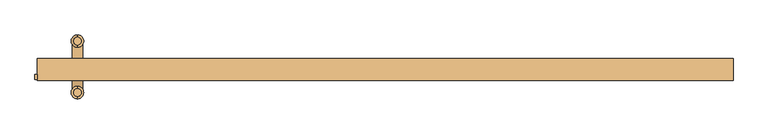
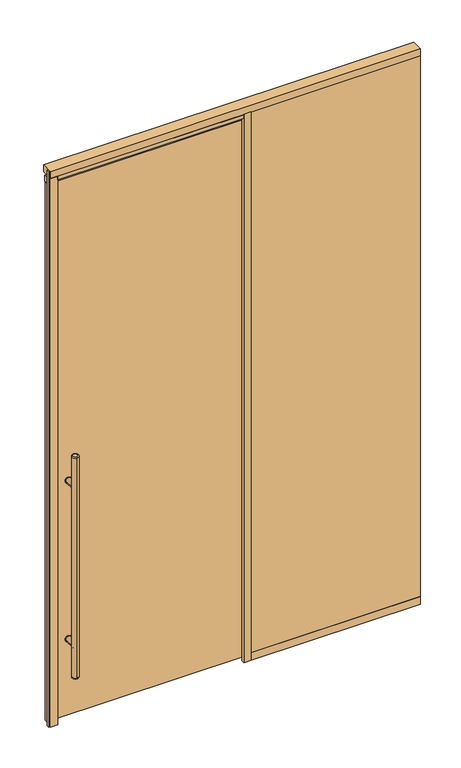
"""IFC4 building model written with IfcOpenShell, lengths in millimetres: door geometry."""

from ifc_helpers import new_model, si_unit, point, frame, frame_2d, origin, origin_with_axes, place, context, project, spatial, polyline, circle_curve, ellipse_curve, trimmed, segment, composite_curve, outline, extrude, source, transform, mapped, element, save
from ifc_brep_helpers import plane_surface, cylinder_surface, revolved_surface, advanced_brep


def door_247ac352(model_context):
    return source(origin(), model_context, "Body", "SolidModel", [
        extrude(outline(composite_curve([segment(trimmed(circle_curve(frame_2d((428.625, -850.9)), 15.875), [point((428.625, -866.775))], [point((428.625, -835.025))], False, "CARTESIAN"), True, "CONTINUOUS"), segment(trimmed(circle_curve(frame_2d((428.625, -850.9)), 15.875), [point((428.625, -835.025))], [point((428.625, -866.775))], False, "CARTESIAN"), True, "CONTINUOUS")], self_intersect=False)), frame((0.0, 19.05, 0.0), z_axis=(0.0, 1.0, 0.0), x_axis=(0.0, 0.0, 1.0)), (0.0, 0.0, 1.0), 3.175),
        extrude(outline(composite_curve([segment(trimmed(circle_curve(frame_2d((1298.575, -850.9)), 15.875), [point((1298.575, -835.025))], [point((1298.575, -866.775))], False, "CARTESIAN"), True, "CONTINUOUS"), segment(trimmed(circle_curve(frame_2d((1298.575, -850.9)), 15.875), [point((1298.575, -866.775))], [point((1298.575, -835.025))], False, "CARTESIAN"), True, "CONTINUOUS")], self_intersect=False)), frame((0.0, 19.05, 0.0), z_axis=(0.0, 1.0, 0.0), x_axis=(0.0, 0.0, 1.0)), (0.0, 0.0, 1.0), 3.175),
        extrude(outline(composite_curve([segment(trimmed(circle_curve(frame_2d((428.625, -850.9)), 15.875), [point((428.625, -866.775))], [point((428.625, -835.025))], False, "CARTESIAN"), True, "CONTINUOUS"), segment(trimmed(circle_curve(frame_2d((428.625, -850.9)), 15.875), [point((428.625, -835.025))], [point((428.625, -866.775))], False, "CARTESIAN"), True, "CONTINUOUS")], self_intersect=False)), frame((0.0, 34.925, 0.0), z_axis=(0.0, 1.0, 0.0), x_axis=(0.0, 0.0, 1.0)), (0.0, 0.0, 1.0), 3.175),
        extrude(outline(composite_curve([segment(trimmed(circle_curve(frame_2d((1298.575, -850.9)), 15.875), [point((1298.575, -866.775))], [point((1298.575, -835.025))], False, "CARTESIAN"), True, "CONTINUOUS"), segment(trimmed(circle_curve(frame_2d((1298.575, -850.9)), 15.875), [point((1298.575, -835.025))], [point((1298.575, -866.775))], False, "CARTESIAN"), True, "CONTINUOUS")], self_intersect=False)), frame((0.0, 34.925, 0.0), z_axis=(0.0, 1.0, 0.0), x_axis=(0.0, 0.0, 1.0)), (0.0, 0.0, 1.0), 3.175),
        extrude(outline(composite_curve([segment(trimmed(circle_curve(frame_2d((428.625, -850.9)), 14.2875), [point((428.625, -836.6125))], [point((428.625, -865.1875))], False, "CARTESIAN"), True, "CONTINUOUS"), segment(trimmed(circle_curve(frame_2d((428.625, -850.9)), 14.2875), [point((428.625, -865.1875))], [point((428.625, -836.6125))], False, "CARTESIAN"), True, "CONTINUOUS")], self_intersect=False)), frame((0.0, 34.925, 0.0), z_axis=(0.0, 1.0, 0.0), x_axis=(0.0, 0.0, 1.0)), (0.0, 0.0, 1.0), 65.0875),
        extrude(outline(composite_curve([segment(trimmed(circle_curve(frame_2d((1298.575, -850.9)), 14.2875), [point((1298.575, -836.6125))], [point((1298.575, -865.1875))], False, "CARTESIAN"), True, "CONTINUOUS"), segment(trimmed(circle_curve(frame_2d((1298.575, -850.9)), 14.2875), [point((1298.575, -865.1875))], [point((1298.575, -836.6125))], False, "CARTESIAN"), True, "CONTINUOUS")], self_intersect=False)), frame((0.0, 34.925, 0.0), z_axis=(0.0, 1.0, 0.0), x_axis=(0.0, 0.0, 1.0)), (0.0, 0.0, 1.0), 65.0875),
        advanced_brep(
        [(-850.9, -32.0675, 1473.2), (-850.9, -53.6575, 1473.2), (-850.9, -53.6575, 254.0), (-850.9, -32.0675, 254.0), (-850.9, -60.0075, 260.35), (-850.9, -25.7175, 260.35), (-850.9, -25.7175, 1466.85), (-850.9, -60.0075, 1466.85)],
        [
            (0, 1, circle_curve(frame((-850.9, -42.8625, 1473.2), z_axis=(0.0, 0.0, 1.0), x_axis=(0.0, 1.0, 0.0)), 10.795)),
            (1, 0, circle_curve(frame((-850.9, -42.8625, 1473.2), z_axis=(0.0, 0.0, 1.0), x_axis=(0.0, 1.0, 0.0)), 10.795)),
            (2, 3, circle_curve(frame((-850.9, -42.8625, 254.0), z_axis=(0.0, 0.0, -1.0), x_axis=(0.0, 1.0, 0.0)), 10.795)),
            (3, 2, circle_curve(frame((-850.9, -42.8625, 254.0), z_axis=(0.0, 0.0, -1.0), x_axis=(0.0, 1.0, 0.0)), 10.795)),
            (4, 5, circle_curve(frame((-850.9, -42.8625, 260.35), z_axis=(0.0, 0.0, 1.0), x_axis=(0.0, 1.0, 0.0)), 17.145)),
            (5, 6),
            (6, 7, circle_curve(frame((-850.9, -42.8625, 1466.85), z_axis=(0.0, 0.0, -1.0), x_axis=(0.0, 1.0, 0.0)), 17.145)),
            (7, 4),
            (5, 4, circle_curve(frame((-850.9, -42.8625, 260.35), z_axis=(0.0, 0.0, 1.0), x_axis=(0.0, 1.0, 0.0)), 17.145)),
            (7, 6, circle_curve(frame((-850.9, -42.8625, 1466.85), z_axis=(0.0, 0.0, -1.0), x_axis=(0.0, 1.0, 0.0)), 17.145)),
            (2, 4, circle_curve(frame((-850.9, -53.6575, 260.35), z_axis=(-1.0, 0.0, 0.0), x_axis=(0.0, -1.0, 0.0)), 6.35)),
            (5, 3, circle_curve(frame((-850.9, -32.0675, 260.35), z_axis=(-1.0, 0.0, 0.0), x_axis=(0.0, 1.0, 0.0)), 6.35)),
            (7, 1, circle_curve(frame((-850.9, -53.6575, 1466.85), z_axis=(-1.0, 0.0, 0.0), x_axis=(0.0, -1.0, 0.0)), 6.35)),
            (0, 6, circle_curve(frame((-850.9, -32.0675, 1466.85), z_axis=(-1.0, 0.0, 0.0), x_axis=(0.0, 1.0, 0.0)), 6.35)),
        ],
        [
            plane_surface(frame((-850.9, 117.1575, 1473.2), z_axis=(0.0, 0.0, 1.0), x_axis=(-1.0, 0.0, 0.0))),
            plane_surface(frame((-850.9, 117.1575, 254.0), z_axis=(0.0, 0.0, -1.0), x_axis=(1.0, 0.0, 0.0))),
            cylinder_surface(frame((-850.9, -42.8625, 254.0), z_axis=(0.0, 0.0, 1.0), x_axis=(0.0, 1.0, 0.0)), 17.145),
            revolved_surface(trimmed(ellipse_curve(frame((-850.9, -32.0675, 260.35), z_axis=(1.0, 0.0, 0.0), x_axis=(0.0, 1.0, 0.0)), 6.35, 6.35), [point((-850.9, -32.0675, 254.0))], [point((-850.9, -25.7175, 260.35))], True, "CARTESIAN"), (-850.9, -42.8625, 2082.8), (0.0, 0.0, 1.0)),
            revolved_surface(trimmed(ellipse_curve(frame((-850.9, -32.0675, 1466.85), z_axis=(1.0, 0.0, 0.0), x_axis=(0.0, 1.0, 0.0)), 6.35, 6.35), [point((-850.9, -25.7175, 1466.85))], [point((-850.9, -32.0675, 1473.2))], True, "CARTESIAN"), (-850.9, -42.8625, -355.6), (0.0, 0.0, 1.0)),
        ],
        [
            (0, [[1, 2]]),
            (1, [[3, 4]]),
            (2, [[5, 6, 7, 8]]),
            (2, [[9, -8, 10, -6]]),
            (3, [[11, -9, 12, -3]]),
            (3, [[-11, -4, -12, -5]]),
            (4, [[13, -1, 14, -10]]),
            (4, [[-13, -7, -14, -2]]),
        ],
    ),
        advanced_brep(
        [(-850.9, 110.8075, 1473.2), (-850.9, 89.2175, 1473.2), (-850.9, 89.2175, 254.0), (-850.9, 110.8075, 254.0), (-850.9, 82.8675, 260.35), (-850.9, 117.1575, 260.35), (-850.9, 117.1575, 1466.85), (-850.9, 82.8675, 1466.85)],
        [
            (0, 1, circle_curve(frame((-850.9, 100.0125, 1473.2), z_axis=(0.0, 0.0, 1.0), x_axis=(0.0, -1.0, 0.0)), 10.795)),
            (1, 0, circle_curve(frame((-850.9, 100.0125, 1473.2), z_axis=(0.0, 0.0, 1.0), x_axis=(0.0, -1.0, 0.0)), 10.795)),
            (2, 3, circle_curve(frame((-850.9, 100.0125, 254.0), z_axis=(0.0, 0.0, -1.0), x_axis=(0.0, -1.0, 0.0)), 10.795)),
            (3, 2, circle_curve(frame((-850.9, 100.0125, 254.0), z_axis=(0.0, 0.0, -1.0), x_axis=(0.0, -1.0, 0.0)), 10.795)),
            (4, 5, circle_curve(frame((-850.9, 100.0125, 260.35), z_axis=(0.0, 0.0, 1.0), x_axis=(0.0, 1.0, 0.0)), 17.145)),
            (5, 6),
            (6, 7, circle_curve(frame((-850.9, 100.0125, 1466.85), z_axis=(0.0, 0.0, -1.0), x_axis=(0.0, 1.0, 0.0)), 17.145)),
            (7, 4),
            (5, 4, circle_curve(frame((-850.9, 100.0125, 260.35), z_axis=(0.0, 0.0, 1.0), x_axis=(0.0, 1.0, 0.0)), 17.145)),
            (7, 6, circle_curve(frame((-850.9, 100.0125, 1466.85), z_axis=(0.0, 0.0, -1.0), x_axis=(0.0, 1.0, 0.0)), 17.145)),
            (5, 3, circle_curve(frame((-850.9, 110.8075, 260.35), z_axis=(-1.0, 0.0, 0.0), x_axis=(0.0, 1.0, 0.0)), 6.35)),
            (2, 4, circle_curve(frame((-850.9, 89.2175, 260.35), z_axis=(-1.0, 0.0, 0.0), x_axis=(0.0, -1.0, 0.0)), 6.35)),
            (0, 6, circle_curve(frame((-850.9, 110.8075, 1466.85), z_axis=(-1.0, 0.0, 0.0), x_axis=(0.0, 1.0, 0.0)), 6.35)),
            (7, 1, circle_curve(frame((-850.9, 89.2175, 1466.85), z_axis=(-1.0, 0.0, 0.0), x_axis=(0.0, -1.0, 0.0)), 6.35)),
        ],
        [
            plane_surface(frame((-850.9, 117.1575, 1473.2), z_axis=(0.0, 0.0, 1.0), x_axis=(-1.0, 0.0, 0.0))),
            plane_surface(frame((-850.9, 117.1575, 254.0), z_axis=(0.0, 0.0, -1.0), x_axis=(1.0, 0.0, 0.0))),
            cylinder_surface(frame((-850.9, 100.0125, 254.0), z_axis=(0.0, 0.0, 1.0), x_axis=(0.0, 1.0, 0.0)), 17.145),
            revolved_surface(trimmed(ellipse_curve(frame((-850.9, 89.2175, 260.35), z_axis=(1.0, 0.0, 0.0), x_axis=(0.0, -1.0, 0.0)), 6.35, 6.35), [point((-850.9, 82.8675, 260.35))], [point((-850.9, 89.2175, 254.0))], True, "CARTESIAN"), (-850.9, 100.0125, 2082.8), (0.0, 0.0, -1.0)),
            revolved_surface(trimmed(ellipse_curve(frame((-850.9, 89.2175, 1466.85), z_axis=(1.0, 0.0, 0.0), x_axis=(0.0, -1.0, 0.0)), 6.35, 6.35), [point((-850.9, 89.2175, 1473.2))], [point((-850.9, 82.8675, 1466.85))], True, "CARTESIAN"), (-850.9, 100.0125, -355.6), (0.0, 0.0, -1.0)),
        ],
        [
            (0, [[1, 2]]),
            (1, [[3, 4]]),
            (2, [[5, 6, 7, 8]]),
            (2, [[9, -8, 10, -6]]),
            (3, [[11, -3, 12, -9]]),
            (3, [[-11, -5, -12, -4]]),
            (4, [[13, -10, 14, -1]]),
            (4, [[-13, -2, -14, -7]]),
        ],
    ),
        extrude(outline(composite_curve([segment(trimmed(circle_curve(frame_2d((428.625, -850.9)), 14.2875), [point((428.625, -836.6125))], [point((428.625, -865.1875))], False, "CARTESIAN"), True, "CONTINUOUS"), segment(trimmed(circle_curve(frame_2d((428.625, -850.9)), 14.2875), [point((428.625, -865.1875))], [point((428.625, -836.6125))], False, "CARTESIAN"), True, "CONTINUOUS")], self_intersect=False)), frame((0.0, -42.8625, 0.0), z_axis=(0.0, 1.0, 0.0), x_axis=(0.0, 0.0, 1.0)), (0.0, 0.0, 1.0), 65.0875),
        extrude(outline(composite_curve([segment(trimmed(circle_curve(frame_2d((1298.575, -850.9)), 14.2875), [point((1298.575, -836.6125))], [point((1298.575, -865.1875))], False, "CARTESIAN"), True, "CONTINUOUS"), segment(trimmed(circle_curve(frame_2d((1298.575, -850.9)), 14.2875), [point((1298.575, -865.1875))], [point((1298.575, -836.6125))], False, "CARTESIAN"), True, "CONTINUOUS")], self_intersect=False)), frame((0.0, -42.8625, 0.0), z_axis=(0.0, 1.0, 0.0), x_axis=(0.0, 0.0, 1.0)), (0.0, 0.0, 1.0), 65.0875),
        extrude(outline(polyline([(82.5231001, 34.925), (82.5231001, 22.225), (-962.025, 22.225), (-962.025, 34.925), (82.5231001, 34.925)])), frame((0.0, 0.0, 9.525), z_axis=(0.0, 0.0, 1.0), x_axis=(1.0, 0.0, 0.0)), (0.0, 0.0, 1.0), 2955.925),
        extrude(outline(polyline([(-962.025, 6.35), (-962.025, -6.35), (-968.375, -6.35), (-968.375, 6.35), (-962.025, 6.35)])), origin_with_axes(), (0.0, 0.0, 1.0), 3048.0),
        extrude(outline(polyline([(82.5231001, 6.35), (962.025, 6.35), (962.025, -6.35), (82.5231001, -6.35), (82.5231001, 6.35)])), frame((0.0, 0.0, 41.275), z_axis=(0.0, 0.0, 1.0), x_axis=(1.0, 0.0, 0.0)), (0.0, 0.0, 1.0), 2968.625),
        extrude(outline(polyline([(82.5231001, 9.525), (82.5231001, -9.525), (44.4231001, -9.525), (44.4231001, 9.525), (82.5231001, 9.525)])), origin_with_axes(), (0.0, 0.0, 1.0), 3009.9),
        extrude(outline(polyline([(-923.925, 9.525), (-923.925, -9.525), (-962.025, -9.525), (-962.025, 9.525), (-923.925, 9.525)])), origin_with_axes(), (0.0, 0.0, 1.0), 3009.9),
        extrude(outline(polyline([(82.5231001, 41.275), (82.5231001, 12.7), (-962.025, 12.7), (-962.025, 41.275), (82.5231001, 41.275)])), frame((0.0, 0.0, 2965.45), z_axis=(0.0, 0.0, 1.0), x_axis=(1.0, 0.0, 0.0)), (0.0, 0.0, 1.0), 31.75),
        extrude(outline(polyline([(962.025, 9.525), (962.025, -9.525), (82.5231001, -9.525), (82.5231001, 9.525), (962.025, 9.525)])), origin_with_axes(), (0.0, 0.0, 1.0), 41.275),
        extrude(outline(polyline([(44.4231001, 12.7), (44.4231001, -9.525), (-923.925, -9.525), (-923.925, 12.7), (44.4231001, 12.7)])), frame((0.0, 0.0, 2989.2625), z_axis=(0.0, 0.0, 1.0), x_axis=(1.0, 0.0, 0.0)), (0.0, 0.0, 1.0), 19.05),
        extrude(outline(polyline([(962.025, 50.8), (962.025, -9.525), (-962.025, -9.525), (-962.025, 50.8), (962.025, 50.8)])), frame((0.0, 0.0, 3009.9), z_axis=(0.0, 0.0, 1.0), x_axis=(1.0, 0.0, 0.0)), (0.0, 0.0, 1.0), 38.1),
    ])


if __name__ == "__main__":
    model = new_model("IFC4")
    model_context = context("Model", 3, world=origin())
    ifc_project = project(units=[si_unit("LENGTHUNIT", "METRE", prefix="MILLI")], contexts=[model_context])
    site = spatial("IfcSite", under=ifc_project)
    building = spatial("IfcBuilding", under=site)
    placement = place(None, origin())
    door_shape = door_247ac352(model_context)
    element("IfcDoor", 1, at=placement, inside=building, context=model_context, shape_type="MappedRepresentation", body=[
        mapped(door_shape, transform((0.0, 0.0, 0.0), x_axis=(1.0, 0.0, 0.0), y_axis=(0.0, 1.0, 0.0), z_axis=(0.0, 0.0, 1.0))),
    ])
    save(model, "model.ifc")
